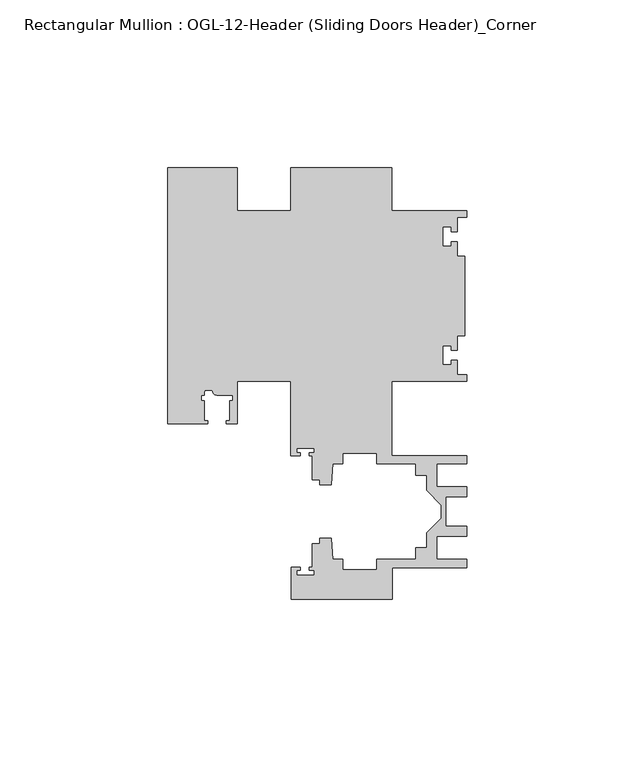
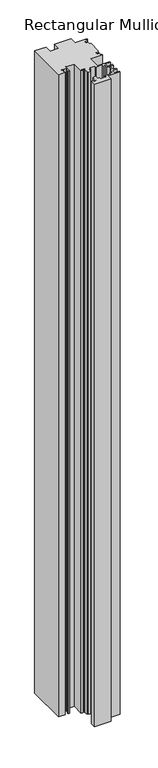
"""IFC4 building model written with IfcOpenShell, lengths in millimetres: member geometry, Rectangular Mullion : OGL-12-Header (Sliding Doors Header)_Corner."""

from ifc_helpers import new_model, si_unit, point, frame, frame_2d, origin, place, context, project, spatial, polyline, circle_curve, trimmed, segment, composite_curve, outline, extrude, source, transform, mapped, element, save


def rectangular_mullion_ogl_12_header_sliding_doors_header_f3ee8076(model_context):
    return source(origin(), model_context, "Body", "SweptSolid", [
        extrude(outline(composite_curve([segment(polyline([(0.0, -4.7625), (0.0, -6.674324), (-2.740223, -6.674324), (-2.740223, -11.0229141), (-4.5407068, -11.0229141), (-4.5407068, -9.6353294), (-7.0406862, -9.6353294), (-7.0406862, -15.3973275), (-4.5407047, -15.3973275), (-4.5407047, -14.0019048), (-2.740223, -14.0019048), (-2.740223, -18.3583296), (-0.508, -18.3583296), (-0.508, -41.9666704), (-2.740223, -41.9666704), (-2.740223, -46.3230952), (-4.5407047, -46.3230952), (-4.5407047, -44.9276725), (-7.0406862, -44.9276725), (-7.0406862, -50.6896706), (-4.5407068, -50.6896706), (-4.5407068, -49.3020859), (-2.740223, -49.3020859), (-2.740223, -53.650676), (0.0, -53.650676), (0.0, -55.5625), (-22.2332898, -55.5625), (-22.2332898, -77.675852), (-0.0082575, -77.675852), (-0.0082575, -80.175852), (-8.8582575, -80.175852), (-8.8582575, -87.0187795), (-0.0082575, -87.0187795), (-0.0082575, -90.0187795), (-6.1582575, -90.0187795), (-6.1582575, -98.6950565), (-0.0082575, -98.6950565), (-0.0082575, -101.6950565), (-8.8582575, -101.6950565), (-8.8582575, -108.537984), (-0.0082575, -108.537984), (-0.0082575, -111.037984), (-22.2032575, -111.037984), (-22.2032575, -120.4877352), (-52.2095715, -120.4877352), (-52.2095715, -110.9050364), (-49.5692346, -110.9050364), (-49.5692346, -111.8781466), (-50.6220715, -111.8781466), (-50.6220715, -113.2559363), (-45.3220715, -113.2559363), (-45.3220715, -111.8781466), (-46.8181909, -111.8781466), (-46.8181909, -110.9050364), (-45.9710366, -110.9050364), (-45.9710366, -103.9254518), (-43.7582575, -103.9254518), (-43.7582575, -102.337984), (-40.3395523, -102.337984), (-39.7961967, -108.5485669), (-36.8419772, -108.5485669), (-36.8419772, -111.712984), (-26.7462575, -111.712984), (-26.7462575, -108.537984), (-15.0768765, -108.537984), (-15.0768765, -105.137984), (-11.8582575, -105.137984), (-11.8582575, -100.6566892), (-7.4980859, -96.2965176), (-7.4980859, -92.4173184), (-11.8582575, -88.0571468), (-11.8582575, -83.575852), (-15.0768765, -83.575852), (-15.0768765, -80.175852), (-26.7462575, -80.175852), (-26.7462575, -77.000852), (-36.8419772, -77.000852), (-36.8419772, -80.1652691), (-39.7961967, -80.1652691), (-40.3395523, -86.375852), (-43.7582575, -86.375852), (-43.7582575, -84.8247994), (-45.9710366, -84.8247994), (-45.9710366, -77.745996), (-46.769305, -77.745996), (-46.769305, -76.8721046), (-45.3220715, -76.8721046), (-45.3220715, -75.4943149), (-50.6220715, -75.4943149), (-50.6220715, -76.8721046), (-49.5910554, -76.8721046), (-49.5910554, -77.745996), (-52.3921824, -77.745996), (-52.3921824, -55.5625008), (-68.2683157, -55.5625008), (-68.2683157, -68.2624976), (-71.4967192, -68.2624976), (-71.4967192, -67.2624979), (-70.5467089, -67.2624979), (-70.5467089, -61.3772976), (-69.5467192, -61.3772976), (-69.5467192, -59.6772976), (-74.44672, -59.6772976)]), True, "CONTINUOUS"), segment(trimmed(circle_curve(frame_2d((-74.44672, -58.4772975)), 1.2000001), [point((-74.44672, -59.6772976))], [point((-75.6077655, -58.1740259))], False, "CARTESIAN"), True, "CONTINUOUS"), segment(polyline([(-75.6077655, -58.1740259), (-77.5467193, -58.1740259)]), True, "CONTINUOUS"), segment(trimmed(circle_curve(frame_2d((-77.5467193, -58.6740259)), 0.5), [point((-77.5467193, -58.1740259))], [point((-78.0467193, -58.6740259))], True, "CARTESIAN"), True, "CONTINUOUS"), segment(polyline([(-78.0467193, -58.6740259), (-78.0467193, -59.6772976), (-79.046696, -59.6772976), (-79.046696, -61.3772976), (-78.0467296, -61.3772976), (-78.0467296, -67.2624972), (-77.0967193, -67.2624972), (-77.0967193, -68.2624976), (-88.9083412, -68.2624976), (-88.9083412, 7.9375024), (-68.2683157, 7.9375024), (-68.2683157, -4.7625009), (-52.3921824, -4.7625009), (-52.3921824, 7.9371792), (-22.2332898, 7.9371792), (-22.2332898, -4.7625), (0.0, -4.7625)]), True, "CONTINUOUS")], self_intersect=False)), frame((0.0, 0.0, -1253.33125), z_axis=(0.0, 0.0, 1.0), x_axis=(1.0, 0.0, 0.0)), (0.0, 0.0, 1.0), 1253.33125),
    ])


if __name__ == "__main__":
    model = new_model("IFC4")
    model_context = context("Model", 3, world=origin())
    ifc_project = project(units=[si_unit("LENGTHUNIT", "METRE", prefix="MILLI")], contexts=[model_context])
    site = spatial("IfcSite", under=ifc_project)
    building = spatial("IfcBuilding", under=site)
    placement = place(None, origin())
    rectangular_mullion_ogl_12_header_sliding_doors_header_shape = rectangular_mullion_ogl_12_header_sliding_doors_header_f3ee8076(model_context)
    element("IfcMember", 1, ObjectType="Rectangular Mullion : OGL-12-Header (Sliding Doors Header)_Corner", at=placement, inside=building, context=model_context, shape_type="MappedRepresentation", body=[
        mapped(rectangular_mullion_ogl_12_header_sliding_doors_header_shape, transform((0.0, 0.0, 0.0), x_axis=(1.0, 0.0, 0.0), y_axis=(0.0, 1.0, 0.0), z_axis=(0.0, 0.0, 1.0))),
    ])
    save(model, "model.ifc")
